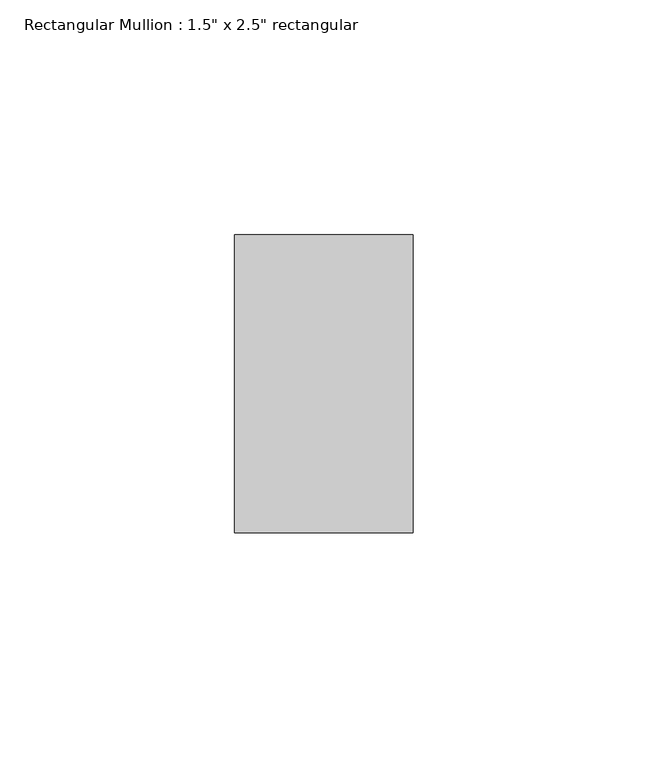
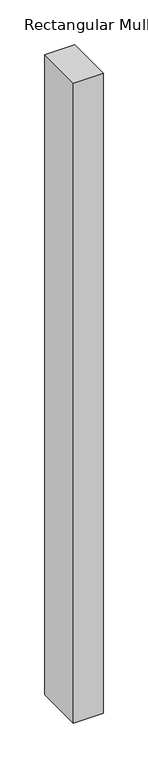
"""IFC4 building model written with IfcOpenShell, lengths in millimetres: member geometry."""

from ifc_helpers import new_model, si_unit, frame, origin, place, context, project, spatial, polyline, outline, extrude, source, transform, mapped, element, save


def member_c8df33d1(model_context):
    return source(origin(), model_context, "Body", "SweptSolid", [
        extrude(outline(polyline([(19.05, -19.05), (19.05, -82.55), (-19.05, -82.55), (-19.05, -19.05), (19.05, -19.05)])), frame((0.0, 0.0, -869.95), z_axis=(0.0, 0.0, 1.0), x_axis=(1.0, 0.0, 0.0)), (0.0, 0.0, 1.0), 869.95),
    ])


if __name__ == "__main__":
    model = new_model("IFC4")
    model_context = context("Model", 3, world=origin())
    ifc_project = project(units=[si_unit("LENGTHUNIT", "METRE", prefix="MILLI")], contexts=[model_context])
    site = spatial("IfcSite", under=ifc_project)
    building = spatial("IfcBuilding", under=site)
    placement = place(None, origin())
    member_shape = member_c8df33d1(model_context)
    element("IfcMember", 1, ObjectType="Rectangular Mullion : 1.5\" x 2.5\" rectangular", at=placement, inside=building, context=model_context, shape_type="MappedRepresentation", body=[
        mapped(member_shape, transform((0.0, 0.0, 0.0), x_axis=(1.0, 0.0, 0.0), y_axis=(0.0, 1.0, 0.0), z_axis=(0.0, 0.0, 1.0))),
    ])
    save(model, "model.ifc")
